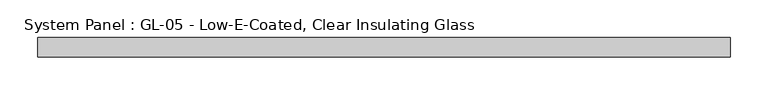
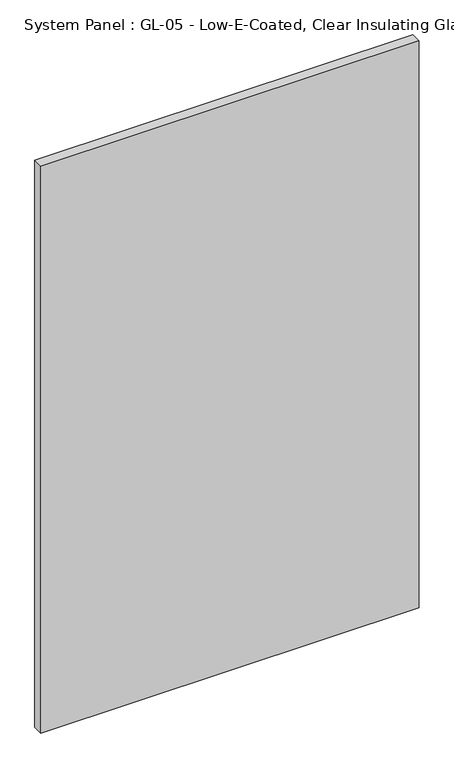
"""IFC4 building model written with IfcOpenShell, lengths in millimetres: plate geometry, System Panel : GL-05 - Low-E-Coated, Clear Insulating Glass."""

import ifcopenshell
import ifcopenshell.guid

model = None  # the IFC model being written
_history = None  # IfcOwnerHistory: only IFC2X3 demands one
_inside = {}  # id of a spatial element -> (the spatial element, [elements in it])
_under = {}  # id of a project, library or spatial element -> (it, [spatial elements below it])
_declared = {}  # id of a project -> (the project, [libraries it declares])
_typed = {}  # id of a type object -> (the type object, [elements of that type])
_made_of = {}  # id of a material, layer set ... -> (it, [elements and type objects made of it])


def new_model(schema):
    """Start an empty IFC model of exactly this schema.

    Asked for "IFC4X3", IfcOpenShell would pick the latest addendum, in which some entities
    have other attributes; the version numbers below select the first issue.
    IFC2X3 requires an IfcOwnerHistory on every rooted entity: one is made here for all.
    """
    global model, _history
    if schema == "IFC4X3":
        model = ifcopenshell.file(schema_version=(4, 3, 0, 0))
    else:
        model = ifcopenshell.file(schema=schema)
    _inside.clear()
    _under.clear()
    _declared.clear()
    _typed.clear()
    _made_of.clear()
    _history = None
    if model.schema == "IFC2X3":
        org = make("IfcOrganization", Name="unknown")
        user = make(
            "IfcPersonAndOrganization",
            ThePerson=make("IfcPerson", FamilyName="unknown"),
            TheOrganization=org,
        )
        app = make(
            "IfcApplication",
            ApplicationDeveloper=org,
            Version="unknown",
            ApplicationFullName="unknown",
            ApplicationIdentifier="unknown",
        )
        _history = make(
            "IfcOwnerHistory",
            OwningUser=user,
            OwningApplication=app,
            ChangeAction="ADDED",
            CreationDate=0,
        )
    return model


def make(cls, **values):
    """One entity of the class cls with the attributes given. An attribute that is None is left unset."""
    return model.create_entity(
        cls, **{name: value for name, value in values.items() if value is not None}
    )


def rooted(cls, **values):
    """An entity with a GlobalId (a new one), such as an element, a storey or a relation."""
    return make(cls, GlobalId=ifcopenshell.guid.new(), OwnerHistory=_history, **values)


def si_unit(unit_type, name, prefix=None):
    """IfcSIUnit, for example si_unit("LENGTHUNIT", "METRE", prefix="MILLI")."""
    return make("IfcSIUnit", UnitType=unit_type, Prefix=prefix, Name=name)


def assignment(units):
    """IfcUnitAssignment: the units of a project."""
    return None if units is None else make("IfcUnitAssignment", Units=units)


def point(xyz):
    """IfcCartesianPoint."""
    return None if xyz is None else make("IfcCartesianPoint", Coordinates=xyz)


def direction(xyz):
    """IfcDirection."""
    return None if xyz is None else make("IfcDirection", DirectionRatios=xyz)


def frame(location, z_axis=None, x_axis=None):
    """IfcAxis2Placement3D, a coordinate frame: its origin and axes. An axis left out is left unset."""
    return make(
        "IfcAxis2Placement3D",
        Location=point(location),
        Axis=direction(z_axis),
        RefDirection=direction(x_axis),
    )


def origin():
    """The frame at (0, 0, 0) with its axes left unset."""
    return frame((0.0, 0.0, 0.0))


def origin_with_axes():
    """The frame at (0, 0, 0) with the z axis (0, 0, 1) and the x axis (1, 0, 0) written out."""
    return frame((0.0, 0.0, 0.0), z_axis=(0.0, 0.0, 1.0), x_axis=(1.0, 0.0, 0.0))


def place(relative_to, where):
    """IfcLocalPlacement: puts the frame where relative to a parent placement (None: the world)."""
    return make(
        "IfcLocalPlacement", PlacementRelTo=relative_to, RelativePlacement=where
    )


def context(
    kind, dimensions, precision=None, world=None, true_north=None, identifier=None
):
    """IfcGeometricRepresentationContext, for example the 3D "Model" context."""
    return make(
        "IfcGeometricRepresentationContext",
        ContextIdentifier=identifier,
        ContextType=kind,
        CoordinateSpaceDimension=dimensions,
        Precision=precision,
        WorldCoordinateSystem=world,
        TrueNorth=true_north,
    )


def project(units=None, contexts=None):
    """IfcProject with its units and contexts."""
    return rooted(
        "IfcProject",
        Name="project",
        RepresentationContexts=contexts,
        UnitsInContext=assignment(units),
    )


def spatial(cls, under=None, at=None, **own):
    """A site, building, storey or space (cls), placed at a placement, below another one or the project."""
    s = rooted(cls, ObjectPlacement=at, **own)
    if under is not None:
        _under.setdefault(under.id(), (under, []))[1].append(s)
    return s


def polyline(points):
    """IfcPolyline through the points."""
    return make("IfcPolyline", Points=[point(p) for p in points])


def outline(outer, holes=None, kind="AREA"):
    """IfcArbitraryClosedProfileDef: a profile drawn as a closed curve; with holes, ...WithVoids."""
    if holes is None:
        return make("IfcArbitraryClosedProfileDef", ProfileType=kind, OuterCurve=outer)
    return make(
        "IfcArbitraryProfileDefWithVoids",
        ProfileType=kind,
        OuterCurve=outer,
        InnerCurves=holes,
    )


def extrude(swept, where, along, depth):
    """IfcExtrudedAreaSolid: the profile swept, set in the frame where, extruded along a direction by depth."""
    return make(
        "IfcExtrudedAreaSolid",
        SweptArea=swept,
        Position=where,
        ExtrudedDirection=direction(along),
        Depth=depth,
    )


def shape(context_of_items, identifier, shape_type, items):
    """IfcShapeRepresentation: the items that make up one representation, for example the "Body"."""
    return make(
        "IfcShapeRepresentation",
        ContextOfItems=context_of_items,
        RepresentationIdentifier=identifier,
        RepresentationType=shape_type,
        Items=items,
    )


def source(mapping_origin, context_of_items, identifier, shape_type, items):
    """IfcRepresentationMap: a shape defined once, which mapped items show again and again."""
    return make(
        "IfcRepresentationMap",
        MappingOrigin=mapping_origin,
        MappedRepresentation=shape(context_of_items, identifier, shape_type, items),
    )


def transform(
    local_origin,
    x_axis=None,
    y_axis=None,
    z_axis=None,
    scale=None,
    scale2=None,
    scale3=None,
    uniform=True,
):
    """IfcCartesianTransformationOperator3D, or its non-uniform kind. x_axis, y_axis, z_axis: its Axis1, 2, 3."""
    if uniform:
        return make(
            "IfcCartesianTransformationOperator3D",
            Axis1=direction(x_axis),
            Axis2=direction(y_axis),
            LocalOrigin=point(local_origin),
            Scale=scale,
            Axis3=direction(z_axis),
        )
    return make(
        "IfcCartesianTransformationOperator3DnonUniform",
        Axis1=direction(x_axis),
        Axis2=direction(y_axis),
        LocalOrigin=point(local_origin),
        Scale=scale,
        Axis3=direction(z_axis),
        Scale2=scale2,
        Scale3=scale3,
    )


def mapped(mapping_source, mapping_target):
    """IfcMappedItem: shows the shape of a source again, moved by a transform."""
    return make(
        "IfcMappedItem", MappingSource=mapping_source, MappingTarget=mapping_target
    )


def made_of(thing, what):
    """Note that an element or type object is made of a material, layer set ...; save() writes the relation."""
    if what is not None:
        _made_of.setdefault(what.id(), (what, []))[1].append(thing)
    return thing


def element(
    cls,
    number,
    at=None,
    inside=None,
    cuts=None,
    type_object=None,
    material=None,
    context=None,
    identifier="Body",
    shape_type=None,
    held_by="IfcProductDefinitionShape",
    body=None,
    shapes=None,
    **own,
):
    """One element of the class cls, such as IfcWall. Its Tag is "e" and its number.

    at: its placement. inside: the storey or other place that contains it. cuts: it is an
    opening in that element (IfcRelVoidsElement). A single representation is given by context,
    identifier, shape_type and body (its items); several are given by shapes. held_by: the class
    of the entity that holds the representations. save() writes the other relations.
    """
    e = rooted(cls, Tag="e%d" % number, ObjectPlacement=at, **own)
    if body is not None:
        shapes = [shape(context, identifier, shape_type, body)]
    if shapes is not None:
        e.Representation = make(held_by, Representations=shapes)
    if inside is not None:
        _inside.setdefault(inside.id(), (inside, []))[1].append(e)
    if cuts is not None:
        rooted(
            "IfcRelVoidsElement", RelatingBuildingElement=cuts, RelatedOpeningElement=e
        )
    if type_object is not None:
        _typed.setdefault(type_object.id(), (type_object, []))[1].append(e)
    return made_of(e, material)


def aggregate(whole, parts):
    """IfcRelAggregates: a whole, such as a stair, and the parts it consists of."""
    return rooted("IfcRelAggregates", RelatingObject=whole, RelatedObjects=parts)


def save(model, path):
    """Write the relations noted so far, then the file.

    IfcRelAggregates (storeys below a building ...), IfcRelContainedInSpatialStructure (elements
    in a storey), IfcRelDefinesByType, IfcRelAssociatesMaterial and IfcRelDeclares: one each for
    every whole, place, type object, material and project.
    """
    for whole, parts in _under.values():
        aggregate(whole, parts)
    for where, things in _inside.values():
        rooted(
            "IfcRelContainedInSpatialStructure",
            RelatedElements=things,
            RelatingStructure=where,
        )
    for kind, things in _typed.values():
        rooted("IfcRelDefinesByType", RelatedObjects=things, RelatingType=kind)
    for what, things in _made_of.values():
        rooted("IfcRelAssociatesMaterial", RelatedObjects=things, RelatingMaterial=what)
    for by, libraries in _declared.values():
        rooted("IfcRelDeclares", RelatingContext=by, RelatedDefinitions=libraries)
    model.write(path)


def system_panel_gl_05_low_e_coated_clear_insulating_glass_0aabb232(model_context):
    return source(origin(), model_context, "Body", "SweptSolid", [
        extrude(outline(polyline([(457.2, -12.7), (-457.2, -12.7), (-457.2, 12.7), (457.2, 12.7), (457.2, -12.7)])), origin_with_axes(), (0.0, 0.0, 1.0), 1447.8),
    ])


if __name__ == "__main__":
    model = new_model("IFC4")
    model_context = context("Model", 3, world=origin())
    ifc_project = project(units=[si_unit("LENGTHUNIT", "METRE", prefix="MILLI")], contexts=[model_context])
    site = spatial("IfcSite", under=ifc_project)
    building = spatial("IfcBuilding", under=site)
    placement = place(None, origin())
    system_panel_gl_05_low_e_coated_clear_insulating_glass_shape = system_panel_gl_05_low_e_coated_clear_insulating_glass_0aabb232(model_context)
    element("IfcPlate", 1, ObjectType="System Panel : GL-05 - Low-E-Coated, Clear Insulating Glass", at=placement, inside=building, context=model_context, shape_type="MappedRepresentation", body=[
        mapped(system_panel_gl_05_low_e_coated_clear_insulating_glass_shape, transform((0.0, 0.0, 0.0), x_axis=(1.0, 0.0, 0.0), y_axis=(0.0, 1.0, 0.0), z_axis=(0.0, 0.0, 1.0))),
    ])
    save(model, "model.ifc")
